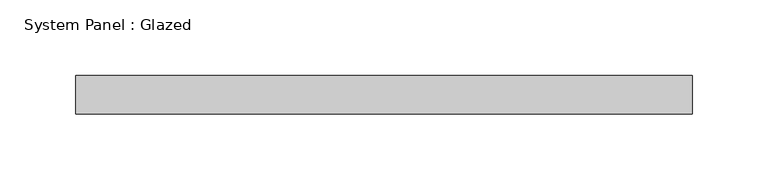
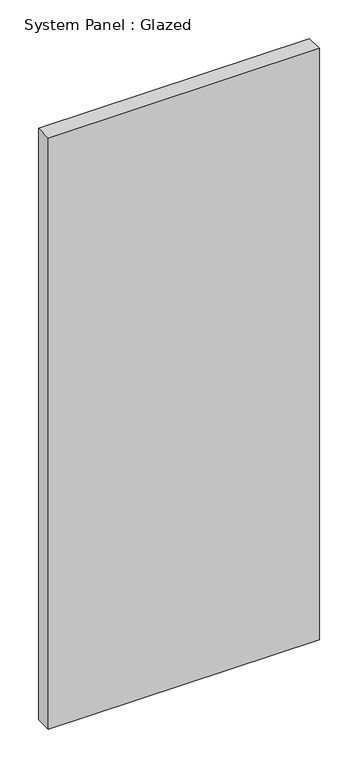
"""IFC4 building model written with IfcOpenShell, lengths in millimetres: plate geometry, System Panel : Glazed."""

from ifc_helpers import new_model, si_unit, origin, origin_with_axes, place, context, project, spatial, polyline, outline, extrude, source, transform, mapped, element, save


def system_panel_glazed_72749848(model_context):
    return source(origin(), model_context, "Body", "SweptSolid", [
        extrude(outline(polyline([(203.25, -44.45), (-203.25, -44.45), (-203.25, -19.05), (203.25, -19.05), (203.25, -44.45)])), origin_with_axes(), (0.0, 0.0, 1.0), 936.5),
    ])


if __name__ == "__main__":
    model = new_model("IFC4")
    model_context = context("Model", 3, world=origin())
    ifc_project = project(units=[si_unit("LENGTHUNIT", "METRE", prefix="MILLI")], contexts=[model_context])
    site = spatial("IfcSite", under=ifc_project)
    building = spatial("IfcBuilding", under=site)
    placement = place(None, origin())
    system_panel_glazed_shape = system_panel_glazed_72749848(model_context)
    element("IfcPlate", 1, ObjectType="System Panel : Glazed", at=placement, inside=building, context=model_context, shape_type="MappedRepresentation", body=[
        mapped(system_panel_glazed_shape, transform((0.0, 0.0, 0.0), x_axis=(1.0, 0.0, 0.0), y_axis=(0.0, 1.0, 0.0), z_axis=(0.0, 0.0, 1.0))),
    ])
    save(model, "model.ifc")
